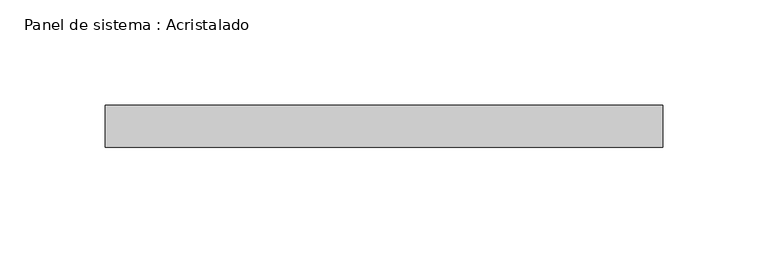
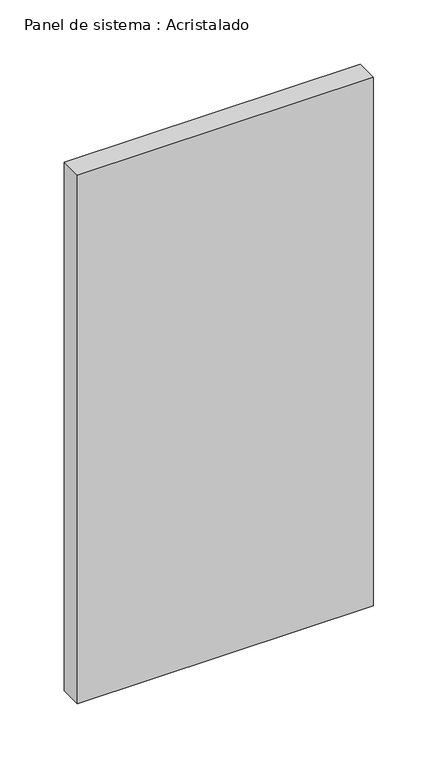
"""IFC4 building model written with IfcOpenShell, lengths in millimetres: plate geometry, Panel de sistema : Acristalado."""

import ifcopenshell
import ifcopenshell.guid

model = None  # the IFC model being written
_history = None  # IfcOwnerHistory: only IFC2X3 demands one
_inside = {}  # id of a spatial element -> (the spatial element, [elements in it])
_under = {}  # id of a project, library or spatial element -> (it, [spatial elements below it])
_declared = {}  # id of a project -> (the project, [libraries it declares])
_typed = {}  # id of a type object -> (the type object, [elements of that type])
_made_of = {}  # id of a material, layer set ... -> (it, [elements and type objects made of it])


def new_model(schema):
    """Start an empty IFC model of exactly this schema.

    Asked for "IFC4X3", IfcOpenShell would pick the latest addendum, in which some entities
    have other attributes; the version numbers below select the first issue.
    IFC2X3 requires an IfcOwnerHistory on every rooted entity: one is made here for all.
    """
    global model, _history
    if schema == "IFC4X3":
        model = ifcopenshell.file(schema_version=(4, 3, 0, 0))
    else:
        model = ifcopenshell.file(schema=schema)
    _inside.clear()
    _under.clear()
    _declared.clear()
    _typed.clear()
    _made_of.clear()
    _history = None
    if model.schema == "IFC2X3":
        org = make("IfcOrganization", Name="unknown")
        user = make(
            "IfcPersonAndOrganization",
            ThePerson=make("IfcPerson", FamilyName="unknown"),
            TheOrganization=org,
        )
        app = make(
            "IfcApplication",
            ApplicationDeveloper=org,
            Version="unknown",
            ApplicationFullName="unknown",
            ApplicationIdentifier="unknown",
        )
        _history = make(
            "IfcOwnerHistory",
            OwningUser=user,
            OwningApplication=app,
            ChangeAction="ADDED",
            CreationDate=0,
        )
    return model


def make(cls, **values):
    """One entity of the class cls with the attributes given. An attribute that is None is left unset."""
    return model.create_entity(
        cls, **{name: value for name, value in values.items() if value is not None}
    )


def rooted(cls, **values):
    """An entity with a GlobalId (a new one), such as an element, a storey or a relation."""
    return make(cls, GlobalId=ifcopenshell.guid.new(), OwnerHistory=_history, **values)


def si_unit(unit_type, name, prefix=None):
    """IfcSIUnit, for example si_unit("LENGTHUNIT", "METRE", prefix="MILLI")."""
    return make("IfcSIUnit", UnitType=unit_type, Prefix=prefix, Name=name)


def assignment(units):
    """IfcUnitAssignment: the units of a project."""
    return None if units is None else make("IfcUnitAssignment", Units=units)


def point(xyz):
    """IfcCartesianPoint."""
    return None if xyz is None else make("IfcCartesianPoint", Coordinates=xyz)


def direction(xyz):
    """IfcDirection."""
    return None if xyz is None else make("IfcDirection", DirectionRatios=xyz)


def frame(location, z_axis=None, x_axis=None):
    """IfcAxis2Placement3D, a coordinate frame: its origin and axes. An axis left out is left unset."""
    return make(
        "IfcAxis2Placement3D",
        Location=point(location),
        Axis=direction(z_axis),
        RefDirection=direction(x_axis),
    )


def origin():
    """The frame at (0, 0, 0) with its axes left unset."""
    return frame((0.0, 0.0, 0.0))


def origin_with_axes():
    """The frame at (0, 0, 0) with the z axis (0, 0, 1) and the x axis (1, 0, 0) written out."""
    return frame((0.0, 0.0, 0.0), z_axis=(0.0, 0.0, 1.0), x_axis=(1.0, 0.0, 0.0))


def place(relative_to, where):
    """IfcLocalPlacement: puts the frame where relative to a parent placement (None: the world)."""
    return make(
        "IfcLocalPlacement", PlacementRelTo=relative_to, RelativePlacement=where
    )


def context(
    kind, dimensions, precision=None, world=None, true_north=None, identifier=None
):
    """IfcGeometricRepresentationContext, for example the 3D "Model" context."""
    return make(
        "IfcGeometricRepresentationContext",
        ContextIdentifier=identifier,
        ContextType=kind,
        CoordinateSpaceDimension=dimensions,
        Precision=precision,
        WorldCoordinateSystem=world,
        TrueNorth=true_north,
    )


def project(units=None, contexts=None):
    """IfcProject with its units and contexts."""
    return rooted(
        "IfcProject",
        Name="project",
        RepresentationContexts=contexts,
        UnitsInContext=assignment(units),
    )


def spatial(cls, under=None, at=None, **own):
    """A site, building, storey or space (cls), placed at a placement, below another one or the project."""
    s = rooted(cls, ObjectPlacement=at, **own)
    if under is not None:
        _under.setdefault(under.id(), (under, []))[1].append(s)
    return s


def polyline(points):
    """IfcPolyline through the points."""
    return make("IfcPolyline", Points=[point(p) for p in points])


def outline(outer, holes=None, kind="AREA"):
    """IfcArbitraryClosedProfileDef: a profile drawn as a closed curve; with holes, ...WithVoids."""
    if holes is None:
        return make("IfcArbitraryClosedProfileDef", ProfileType=kind, OuterCurve=outer)
    return make(
        "IfcArbitraryProfileDefWithVoids",
        ProfileType=kind,
        OuterCurve=outer,
        InnerCurves=holes,
    )


def extrude(swept, where, along, depth):
    """IfcExtrudedAreaSolid: the profile swept, set in the frame where, extruded along a direction by depth."""
    return make(
        "IfcExtrudedAreaSolid",
        SweptArea=swept,
        Position=where,
        ExtrudedDirection=direction(along),
        Depth=depth,
    )


def shape(context_of_items, identifier, shape_type, items):
    """IfcShapeRepresentation: the items that make up one representation, for example the "Body"."""
    return make(
        "IfcShapeRepresentation",
        ContextOfItems=context_of_items,
        RepresentationIdentifier=identifier,
        RepresentationType=shape_type,
        Items=items,
    )


def source(mapping_origin, context_of_items, identifier, shape_type, items):
    """IfcRepresentationMap: a shape defined once, which mapped items show again and again."""
    return make(
        "IfcRepresentationMap",
        MappingOrigin=mapping_origin,
        MappedRepresentation=shape(context_of_items, identifier, shape_type, items),
    )


def transform(
    local_origin,
    x_axis=None,
    y_axis=None,
    z_axis=None,
    scale=None,
    scale2=None,
    scale3=None,
    uniform=True,
):
    """IfcCartesianTransformationOperator3D, or its non-uniform kind. x_axis, y_axis, z_axis: its Axis1, 2, 3."""
    if uniform:
        return make(
            "IfcCartesianTransformationOperator3D",
            Axis1=direction(x_axis),
            Axis2=direction(y_axis),
            LocalOrigin=point(local_origin),
            Scale=scale,
            Axis3=direction(z_axis),
        )
    return make(
        "IfcCartesianTransformationOperator3DnonUniform",
        Axis1=direction(x_axis),
        Axis2=direction(y_axis),
        LocalOrigin=point(local_origin),
        Scale=scale,
        Axis3=direction(z_axis),
        Scale2=scale2,
        Scale3=scale3,
    )


def mapped(mapping_source, mapping_target):
    """IfcMappedItem: shows the shape of a source again, moved by a transform."""
    return make(
        "IfcMappedItem", MappingSource=mapping_source, MappingTarget=mapping_target
    )


def made_of(thing, what):
    """Note that an element or type object is made of a material, layer set ...; save() writes the relation."""
    if what is not None:
        _made_of.setdefault(what.id(), (what, []))[1].append(thing)
    return thing


def element(
    cls,
    number,
    at=None,
    inside=None,
    cuts=None,
    type_object=None,
    material=None,
    context=None,
    identifier="Body",
    shape_type=None,
    held_by="IfcProductDefinitionShape",
    body=None,
    shapes=None,
    **own,
):
    """One element of the class cls, such as IfcWall. Its Tag is "e" and its number.

    at: its placement. inside: the storey or other place that contains it. cuts: it is an
    opening in that element (IfcRelVoidsElement). A single representation is given by context,
    identifier, shape_type and body (its items); several are given by shapes. held_by: the class
    of the entity that holds the representations. save() writes the other relations.
    """
    e = rooted(cls, Tag="e%d" % number, ObjectPlacement=at, **own)
    if body is not None:
        shapes = [shape(context, identifier, shape_type, body)]
    if shapes is not None:
        e.Representation = make(held_by, Representations=shapes)
    if inside is not None:
        _inside.setdefault(inside.id(), (inside, []))[1].append(e)
    if cuts is not None:
        rooted(
            "IfcRelVoidsElement", RelatingBuildingElement=cuts, RelatedOpeningElement=e
        )
    if type_object is not None:
        _typed.setdefault(type_object.id(), (type_object, []))[1].append(e)
    return made_of(e, material)


def aggregate(whole, parts):
    """IfcRelAggregates: a whole, such as a stair, and the parts it consists of."""
    return rooted("IfcRelAggregates", RelatingObject=whole, RelatedObjects=parts)


def save(model, path):
    """Write the relations noted so far, then the file.

    IfcRelAggregates (storeys below a building ...), IfcRelContainedInSpatialStructure (elements
    in a storey), IfcRelDefinesByType, IfcRelAssociatesMaterial and IfcRelDeclares: one each for
    every whole, place, type object, material and project.
    """
    for whole, parts in _under.values():
        aggregate(whole, parts)
    for where, things in _inside.values():
        rooted(
            "IfcRelContainedInSpatialStructure",
            RelatedElements=things,
            RelatingStructure=where,
        )
    for kind, things in _typed.values():
        rooted("IfcRelDefinesByType", RelatedObjects=things, RelatingType=kind)
    for what, things in _made_of.values():
        rooted("IfcRelAssociatesMaterial", RelatedObjects=things, RelatingMaterial=what)
    for by, libraries in _declared.values():
        rooted("IfcRelDeclares", RelatingContext=by, RelatedDefinitions=libraries)
    model.write(path)


def panel_de_sistema_acristalado_aebd2b66(model_context):
    return source(origin(), model_context, "Body", "SweptSolid", [
        extrude(outline(polyline([(132.5, -10.0), (-132.5, -10.0), (-132.5, 10.0), (132.5, 10.0), (132.5, -10.0)])), origin_with_axes(), (0.0, 0.0, 1.0), 500.0),
    ])


if __name__ == "__main__":
    model = new_model("IFC4")
    model_context = context("Model", 3, world=origin())
    ifc_project = project(units=[si_unit("LENGTHUNIT", "METRE", prefix="MILLI")], contexts=[model_context])
    site = spatial("IfcSite", under=ifc_project)
    building = spatial("IfcBuilding", under=site)
    placement = place(None, origin())
    panel_de_sistema_acristalado_shape = panel_de_sistema_acristalado_aebd2b66(model_context)
    element("IfcPlate", 1, ObjectType="Panel de sistema : Acristalado", at=placement, inside=building, context=model_context, shape_type="MappedRepresentation", body=[
        mapped(panel_de_sistema_acristalado_shape, transform((0.0, 0.0, 0.0), x_axis=(1.0, 0.0, 0.0), y_axis=(0.0, 1.0, 0.0), z_axis=(0.0, 0.0, 1.0))),
    ])
    save(model, "model.ifc")
